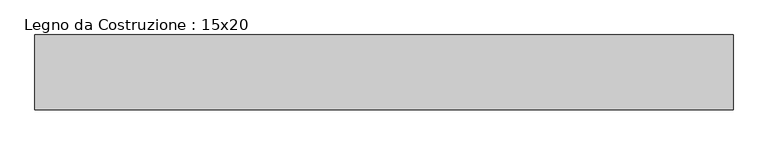
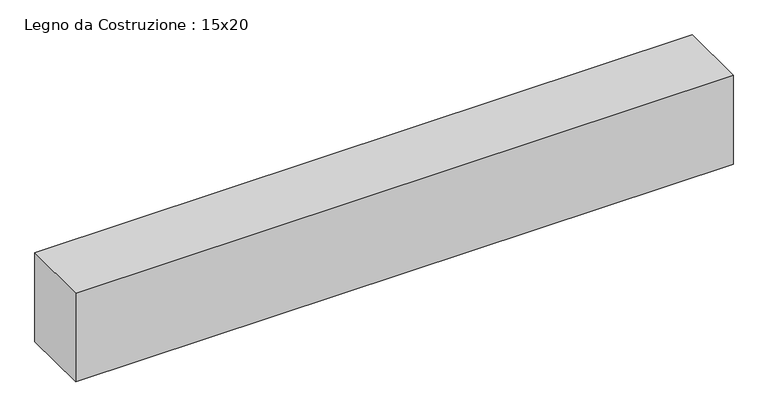
"""IFC4 building model written with IfcOpenShell, lengths in millimetres: beam geometry, Legno da Costruzione : 15x20."""

import ifcopenshell
import ifcopenshell.guid

model = None  # the IFC model being written
_history = None  # IfcOwnerHistory: only IFC2X3 demands one
_inside = {}  # id of a spatial element -> (the spatial element, [elements in it])
_under = {}  # id of a project, library or spatial element -> (it, [spatial elements below it])
_declared = {}  # id of a project -> (the project, [libraries it declares])
_typed = {}  # id of a type object -> (the type object, [elements of that type])
_made_of = {}  # id of a material, layer set ... -> (it, [elements and type objects made of it])


def new_model(schema):
    """Start an empty IFC model of exactly this schema.

    Asked for "IFC4X3", IfcOpenShell would pick the latest addendum, in which some entities
    have other attributes; the version numbers below select the first issue.
    IFC2X3 requires an IfcOwnerHistory on every rooted entity: one is made here for all.
    """
    global model, _history
    if schema == "IFC4X3":
        model = ifcopenshell.file(schema_version=(4, 3, 0, 0))
    else:
        model = ifcopenshell.file(schema=schema)
    _inside.clear()
    _under.clear()
    _declared.clear()
    _typed.clear()
    _made_of.clear()
    _history = None
    if model.schema == "IFC2X3":
        org = make("IfcOrganization", Name="unknown")
        user = make(
            "IfcPersonAndOrganization",
            ThePerson=make("IfcPerson", FamilyName="unknown"),
            TheOrganization=org,
        )
        app = make(
            "IfcApplication",
            ApplicationDeveloper=org,
            Version="unknown",
            ApplicationFullName="unknown",
            ApplicationIdentifier="unknown",
        )
        _history = make(
            "IfcOwnerHistory",
            OwningUser=user,
            OwningApplication=app,
            ChangeAction="ADDED",
            CreationDate=0,
        )
    return model


def make(cls, **values):
    """One entity of the class cls with the attributes given. An attribute that is None is left unset."""
    return model.create_entity(
        cls, **{name: value for name, value in values.items() if value is not None}
    )


def rooted(cls, **values):
    """An entity with a GlobalId (a new one), such as an element, a storey or a relation."""
    return make(cls, GlobalId=ifcopenshell.guid.new(), OwnerHistory=_history, **values)


def si_unit(unit_type, name, prefix=None):
    """IfcSIUnit, for example si_unit("LENGTHUNIT", "METRE", prefix="MILLI")."""
    return make("IfcSIUnit", UnitType=unit_type, Prefix=prefix, Name=name)


def assignment(units):
    """IfcUnitAssignment: the units of a project."""
    return None if units is None else make("IfcUnitAssignment", Units=units)


def point(xyz):
    """IfcCartesianPoint."""
    return None if xyz is None else make("IfcCartesianPoint", Coordinates=xyz)


def direction(xyz):
    """IfcDirection."""
    return None if xyz is None else make("IfcDirection", DirectionRatios=xyz)


def frame(location, z_axis=None, x_axis=None):
    """IfcAxis2Placement3D, a coordinate frame: its origin and axes. An axis left out is left unset."""
    return make(
        "IfcAxis2Placement3D",
        Location=point(location),
        Axis=direction(z_axis),
        RefDirection=direction(x_axis),
    )


def origin():
    """The frame at (0, 0, 0) with its axes left unset."""
    return frame((0.0, 0.0, 0.0))


def place(relative_to, where):
    """IfcLocalPlacement: puts the frame where relative to a parent placement (None: the world)."""
    return make(
        "IfcLocalPlacement", PlacementRelTo=relative_to, RelativePlacement=where
    )


def context(
    kind, dimensions, precision=None, world=None, true_north=None, identifier=None
):
    """IfcGeometricRepresentationContext, for example the 3D "Model" context."""
    return make(
        "IfcGeometricRepresentationContext",
        ContextIdentifier=identifier,
        ContextType=kind,
        CoordinateSpaceDimension=dimensions,
        Precision=precision,
        WorldCoordinateSystem=world,
        TrueNorth=true_north,
    )


def project(units=None, contexts=None):
    """IfcProject with its units and contexts."""
    return rooted(
        "IfcProject",
        Name="project",
        RepresentationContexts=contexts,
        UnitsInContext=assignment(units),
    )


def spatial(cls, under=None, at=None, **own):
    """A site, building, storey or space (cls), placed at a placement, below another one or the project."""
    s = rooted(cls, ObjectPlacement=at, **own)
    if under is not None:
        _under.setdefault(under.id(), (under, []))[1].append(s)
    return s


def polyline(points):
    """IfcPolyline through the points."""
    return make("IfcPolyline", Points=[point(p) for p in points])


def outline(outer, holes=None, kind="AREA"):
    """IfcArbitraryClosedProfileDef: a profile drawn as a closed curve; with holes, ...WithVoids."""
    if holes is None:
        return make("IfcArbitraryClosedProfileDef", ProfileType=kind, OuterCurve=outer)
    return make(
        "IfcArbitraryProfileDefWithVoids",
        ProfileType=kind,
        OuterCurve=outer,
        InnerCurves=holes,
    )


def extrude(swept, where, along, depth):
    """IfcExtrudedAreaSolid: the profile swept, set in the frame where, extruded along a direction by depth."""
    return make(
        "IfcExtrudedAreaSolid",
        SweptArea=swept,
        Position=where,
        ExtrudedDirection=direction(along),
        Depth=depth,
    )


def shape(context_of_items, identifier, shape_type, items):
    """IfcShapeRepresentation: the items that make up one representation, for example the "Body"."""
    return make(
        "IfcShapeRepresentation",
        ContextOfItems=context_of_items,
        RepresentationIdentifier=identifier,
        RepresentationType=shape_type,
        Items=items,
    )


def source(mapping_origin, context_of_items, identifier, shape_type, items):
    """IfcRepresentationMap: a shape defined once, which mapped items show again and again."""
    return make(
        "IfcRepresentationMap",
        MappingOrigin=mapping_origin,
        MappedRepresentation=shape(context_of_items, identifier, shape_type, items),
    )


def transform(
    local_origin,
    x_axis=None,
    y_axis=None,
    z_axis=None,
    scale=None,
    scale2=None,
    scale3=None,
    uniform=True,
):
    """IfcCartesianTransformationOperator3D, or its non-uniform kind. x_axis, y_axis, z_axis: its Axis1, 2, 3."""
    if uniform:
        return make(
            "IfcCartesianTransformationOperator3D",
            Axis1=direction(x_axis),
            Axis2=direction(y_axis),
            LocalOrigin=point(local_origin),
            Scale=scale,
            Axis3=direction(z_axis),
        )
    return make(
        "IfcCartesianTransformationOperator3DnonUniform",
        Axis1=direction(x_axis),
        Axis2=direction(y_axis),
        LocalOrigin=point(local_origin),
        Scale=scale,
        Axis3=direction(z_axis),
        Scale2=scale2,
        Scale3=scale3,
    )


def mapped(mapping_source, mapping_target):
    """IfcMappedItem: shows the shape of a source again, moved by a transform."""
    return make(
        "IfcMappedItem", MappingSource=mapping_source, MappingTarget=mapping_target
    )


def made_of(thing, what):
    """Note that an element or type object is made of a material, layer set ...; save() writes the relation."""
    if what is not None:
        _made_of.setdefault(what.id(), (what, []))[1].append(thing)
    return thing


def element(
    cls,
    number,
    at=None,
    inside=None,
    cuts=None,
    type_object=None,
    material=None,
    context=None,
    identifier="Body",
    shape_type=None,
    held_by="IfcProductDefinitionShape",
    body=None,
    shapes=None,
    **own,
):
    """One element of the class cls, such as IfcWall. Its Tag is "e" and its number.

    at: its placement. inside: the storey or other place that contains it. cuts: it is an
    opening in that element (IfcRelVoidsElement). A single representation is given by context,
    identifier, shape_type and body (its items); several are given by shapes. held_by: the class
    of the entity that holds the representations. save() writes the other relations.
    """
    e = rooted(cls, Tag="e%d" % number, ObjectPlacement=at, **own)
    if body is not None:
        shapes = [shape(context, identifier, shape_type, body)]
    if shapes is not None:
        e.Representation = make(held_by, Representations=shapes)
    if inside is not None:
        _inside.setdefault(inside.id(), (inside, []))[1].append(e)
    if cuts is not None:
        rooted(
            "IfcRelVoidsElement", RelatingBuildingElement=cuts, RelatedOpeningElement=e
        )
    if type_object is not None:
        _typed.setdefault(type_object.id(), (type_object, []))[1].append(e)
    return made_of(e, material)


def aggregate(whole, parts):
    """IfcRelAggregates: a whole, such as a stair, and the parts it consists of."""
    return rooted("IfcRelAggregates", RelatingObject=whole, RelatedObjects=parts)


def save(model, path):
    """Write the relations noted so far, then the file.

    IfcRelAggregates (storeys below a building ...), IfcRelContainedInSpatialStructure (elements
    in a storey), IfcRelDefinesByType, IfcRelAssociatesMaterial and IfcRelDeclares: one each for
    every whole, place, type object, material and project.
    """
    for whole, parts in _under.values():
        aggregate(whole, parts)
    for where, things in _inside.values():
        rooted(
            "IfcRelContainedInSpatialStructure",
            RelatedElements=things,
            RelatingStructure=where,
        )
    for kind, things in _typed.values():
        rooted("IfcRelDefinesByType", RelatedObjects=things, RelatingType=kind)
    for what, things in _made_of.values():
        rooted("IfcRelAssociatesMaterial", RelatedObjects=things, RelatingMaterial=what)
    for by, libraries in _declared.values():
        rooted("IfcRelDeclares", RelatingContext=by, RelatedDefinitions=libraries)
    model.write(path)


def legno_da_costruzione_15x20_b25ac5fe(model_context):
    return source(origin(), model_context, "Body", "SweptSolid", [
        extrude(outline(polyline([(794.0, 75.0), (794.0, -75.0), (-605.0, -75.0), (-605.0, 75.0), (794.0, 75.0)])), frame((0.0, 0.0, -100.0), z_axis=(0.0, 0.0, 1.0), x_axis=(1.0, 0.0, 0.0)), (0.0, 0.0, 1.0), 200.0),
    ])


if __name__ == "__main__":
    model = new_model("IFC4")
    model_context = context("Model", 3, world=origin())
    ifc_project = project(units=[si_unit("LENGTHUNIT", "METRE", prefix="MILLI")], contexts=[model_context])
    site = spatial("IfcSite", under=ifc_project)
    building = spatial("IfcBuilding", under=site)
    placement = place(None, origin())
    legno_da_costruzione_15x20_shape = legno_da_costruzione_15x20_b25ac5fe(model_context)
    element("IfcBeam", 1, ObjectType="Legno da Costruzione : 15x20", at=placement, inside=building, context=model_context, shape_type="MappedRepresentation", body=[
        mapped(legno_da_costruzione_15x20_shape, transform((0.0, 0.0, 0.0), x_axis=(1.0, 0.0, 0.0), y_axis=(0.0, 1.0, 0.0), z_axis=(0.0, 0.0, 1.0))),
    ])
    save(model, "model.ifc")
